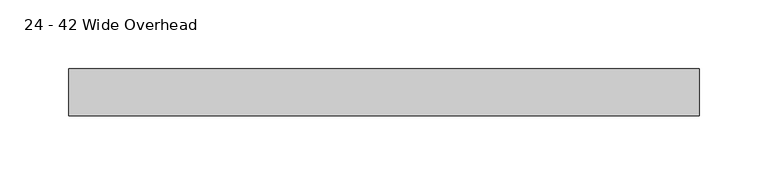
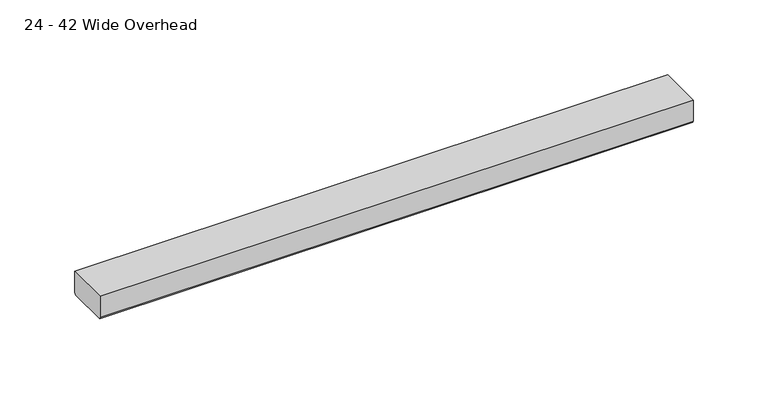
"""IFC4 building model written with IfcOpenShell, lengths in millimetres: furniture geometry, 24 - 42 Wide Overhead."""

import ifcopenshell
import ifcopenshell.guid

model = None  # the IFC model being written
_history = None  # IfcOwnerHistory: only IFC2X3 demands one
_inside = {}  # id of a spatial element -> (the spatial element, [elements in it])
_under = {}  # id of a project, library or spatial element -> (it, [spatial elements below it])
_declared = {}  # id of a project -> (the project, [libraries it declares])
_typed = {}  # id of a type object -> (the type object, [elements of that type])
_made_of = {}  # id of a material, layer set ... -> (it, [elements and type objects made of it])


def new_model(schema):
    """Start an empty IFC model of exactly this schema.

    Asked for "IFC4X3", IfcOpenShell would pick the latest addendum, in which some entities
    have other attributes; the version numbers below select the first issue.
    IFC2X3 requires an IfcOwnerHistory on every rooted entity: one is made here for all.
    """
    global model, _history
    if schema == "IFC4X3":
        model = ifcopenshell.file(schema_version=(4, 3, 0, 0))
    else:
        model = ifcopenshell.file(schema=schema)
    _inside.clear()
    _under.clear()
    _declared.clear()
    _typed.clear()
    _made_of.clear()
    _history = None
    if model.schema == "IFC2X3":
        org = make("IfcOrganization", Name="unknown")
        user = make(
            "IfcPersonAndOrganization",
            ThePerson=make("IfcPerson", FamilyName="unknown"),
            TheOrganization=org,
        )
        app = make(
            "IfcApplication",
            ApplicationDeveloper=org,
            Version="unknown",
            ApplicationFullName="unknown",
            ApplicationIdentifier="unknown",
        )
        _history = make(
            "IfcOwnerHistory",
            OwningUser=user,
            OwningApplication=app,
            ChangeAction="ADDED",
            CreationDate=0,
        )
    return model


def make(cls, **values):
    """One entity of the class cls with the attributes given. An attribute that is None is left unset."""
    return model.create_entity(
        cls, **{name: value for name, value in values.items() if value is not None}
    )


def rooted(cls, **values):
    """An entity with a GlobalId (a new one), such as an element, a storey or a relation."""
    return make(cls, GlobalId=ifcopenshell.guid.new(), OwnerHistory=_history, **values)


def si_unit(unit_type, name, prefix=None):
    """IfcSIUnit, for example si_unit("LENGTHUNIT", "METRE", prefix="MILLI")."""
    return make("IfcSIUnit", UnitType=unit_type, Prefix=prefix, Name=name)


def assignment(units):
    """IfcUnitAssignment: the units of a project."""
    return None if units is None else make("IfcUnitAssignment", Units=units)


def point(xyz):
    """IfcCartesianPoint."""
    return None if xyz is None else make("IfcCartesianPoint", Coordinates=xyz)


def direction(xyz):
    """IfcDirection."""
    return None if xyz is None else make("IfcDirection", DirectionRatios=xyz)


def frame(location, z_axis=None, x_axis=None):
    """IfcAxis2Placement3D, a coordinate frame: its origin and axes. An axis left out is left unset."""
    return make(
        "IfcAxis2Placement3D",
        Location=point(location),
        Axis=direction(z_axis),
        RefDirection=direction(x_axis),
    )


def origin():
    """The frame at (0, 0, 0) with its axes left unset."""
    return frame((0.0, 0.0, 0.0))


def place(relative_to, where):
    """IfcLocalPlacement: puts the frame where relative to a parent placement (None: the world)."""
    return make(
        "IfcLocalPlacement", PlacementRelTo=relative_to, RelativePlacement=where
    )


def context(
    kind, dimensions, precision=None, world=None, true_north=None, identifier=None
):
    """IfcGeometricRepresentationContext, for example the 3D "Model" context."""
    return make(
        "IfcGeometricRepresentationContext",
        ContextIdentifier=identifier,
        ContextType=kind,
        CoordinateSpaceDimension=dimensions,
        Precision=precision,
        WorldCoordinateSystem=world,
        TrueNorth=true_north,
    )


def project(units=None, contexts=None):
    """IfcProject with its units and contexts."""
    return rooted(
        "IfcProject",
        Name="project",
        RepresentationContexts=contexts,
        UnitsInContext=assignment(units),
    )


def spatial(cls, under=None, at=None, **own):
    """A site, building, storey or space (cls), placed at a placement, below another one or the project."""
    s = rooted(cls, ObjectPlacement=at, **own)
    if under is not None:
        _under.setdefault(under.id(), (under, []))[1].append(s)
    return s


def faces_of(points, faces, orient=None, outer=None):
    """IfcFace entities. A face is a list of loops; a loop is a list of indices into points, from 0.

    orient and outer hold one flag for each loop. By default every Orientation is true, the
    first loop of a face is its IfcFaceOuterBound and the others are IfcFaceBound.
    """
    made = []
    for i, loops in enumerate(faces):
        bounds = []
        for j, loop in enumerate(loops):
            is_outer = j == 0 if outer is None else outer[i][j]
            bounds.append(
                make(
                    "IfcFaceOuterBound" if is_outer else "IfcFaceBound",
                    Bound=make("IfcPolyLoop", Polygon=[points[k] for k in loop]),
                    Orientation=True if orient is None else orient[i][j],
                )
            )
        made.append(make("IfcFace", Bounds=bounds))
    return made


def faceted_brep(points, faces, orient=None, outer=None, voids=None):
    """IfcFacetedBrep: a solid bounded by flat faces; with voids (closed shells), ...WithVoids."""
    shared = [point(p) for p in points]
    hull = make("IfcClosedShell", CfsFaces=faces_of(shared, faces, orient, outer))
    if voids is None:
        return make("IfcFacetedBrep", Outer=hull)
    return make(
        "IfcFacetedBrepWithVoids",
        Outer=hull,
        Voids=[
            make(cls, CfsFaces=faces_of(shared, fs, o, b)) for cls, fs, o, b in voids
        ],
    )


def shape(context_of_items, identifier, shape_type, items):
    """IfcShapeRepresentation: the items that make up one representation, for example the "Body"."""
    return make(
        "IfcShapeRepresentation",
        ContextOfItems=context_of_items,
        RepresentationIdentifier=identifier,
        RepresentationType=shape_type,
        Items=items,
    )


def source(mapping_origin, context_of_items, identifier, shape_type, items):
    """IfcRepresentationMap: a shape defined once, which mapped items show again and again."""
    return make(
        "IfcRepresentationMap",
        MappingOrigin=mapping_origin,
        MappedRepresentation=shape(context_of_items, identifier, shape_type, items),
    )


def transform(
    local_origin,
    x_axis=None,
    y_axis=None,
    z_axis=None,
    scale=None,
    scale2=None,
    scale3=None,
    uniform=True,
):
    """IfcCartesianTransformationOperator3D, or its non-uniform kind. x_axis, y_axis, z_axis: its Axis1, 2, 3."""
    if uniform:
        return make(
            "IfcCartesianTransformationOperator3D",
            Axis1=direction(x_axis),
            Axis2=direction(y_axis),
            LocalOrigin=point(local_origin),
            Scale=scale,
            Axis3=direction(z_axis),
        )
    return make(
        "IfcCartesianTransformationOperator3DnonUniform",
        Axis1=direction(x_axis),
        Axis2=direction(y_axis),
        LocalOrigin=point(local_origin),
        Scale=scale,
        Axis3=direction(z_axis),
        Scale2=scale2,
        Scale3=scale3,
    )


def mapped(mapping_source, mapping_target):
    """IfcMappedItem: shows the shape of a source again, moved by a transform."""
    return make(
        "IfcMappedItem", MappingSource=mapping_source, MappingTarget=mapping_target
    )


def made_of(thing, what):
    """Note that an element or type object is made of a material, layer set ...; save() writes the relation."""
    if what is not None:
        _made_of.setdefault(what.id(), (what, []))[1].append(thing)
    return thing


def element(
    cls,
    number,
    at=None,
    inside=None,
    cuts=None,
    type_object=None,
    material=None,
    context=None,
    identifier="Body",
    shape_type=None,
    held_by="IfcProductDefinitionShape",
    body=None,
    shapes=None,
    **own,
):
    """One element of the class cls, such as IfcWall. Its Tag is "e" and its number.

    at: its placement. inside: the storey or other place that contains it. cuts: it is an
    opening in that element (IfcRelVoidsElement). A single representation is given by context,
    identifier, shape_type and body (its items); several are given by shapes. held_by: the class
    of the entity that holds the representations. save() writes the other relations.
    """
    e = rooted(cls, Tag="e%d" % number, ObjectPlacement=at, **own)
    if body is not None:
        shapes = [shape(context, identifier, shape_type, body)]
    if shapes is not None:
        e.Representation = make(held_by, Representations=shapes)
    if inside is not None:
        _inside.setdefault(inside.id(), (inside, []))[1].append(e)
    if cuts is not None:
        rooted(
            "IfcRelVoidsElement", RelatingBuildingElement=cuts, RelatedOpeningElement=e
        )
    if type_object is not None:
        _typed.setdefault(type_object.id(), (type_object, []))[1].append(e)
    return made_of(e, material)


def aggregate(whole, parts):
    """IfcRelAggregates: a whole, such as a stair, and the parts it consists of."""
    return rooted("IfcRelAggregates", RelatingObject=whole, RelatedObjects=parts)


def save(model, path):
    """Write the relations noted so far, then the file.

    IfcRelAggregates (storeys below a building ...), IfcRelContainedInSpatialStructure (elements
    in a storey), IfcRelDefinesByType, IfcRelAssociatesMaterial and IfcRelDeclares: one each for
    every whole, place, type object, material and project.
    """
    for whole, parts in _under.values():
        aggregate(whole, parts)
    for where, things in _inside.values():
        rooted(
            "IfcRelContainedInSpatialStructure",
            RelatedElements=things,
            RelatingStructure=where,
        )
    for kind, things in _typed.values():
        rooted("IfcRelDefinesByType", RelatedObjects=things, RelatingType=kind)
    for what, things in _made_of.values():
        rooted("IfcRelAssociatesMaterial", RelatedObjects=things, RelatingMaterial=what)
    for by, libraries in _declared.values():
        rooted("IfcRelDeclares", RelatingContext=by, RelatedDefinitions=libraries)
    model.write(path)


def furniture_24_42_wide_overhead_2ac7f7c6(model_context):
    return source(origin(), model_context, "Body", "Brep", [
        faceted_brep([(501.8909676, -211.8365428, 346.0749998), (501.8909676, -211.8365428, 328.9554067), (501.8909676, -211.3157759, 327.698164), (501.8909676, -210.0585412, 327.1774003), (501.8909676, -179.5785388, 327.1774003), (501.8909676, -178.3213041, 327.698164), (501.8909676, -177.800539, 328.9554023), (501.8909676, -177.800539, 346.0749998), (44.6909676, -211.8365428, 346.0749998), (44.6909676, -177.800539, 346.0749998), (44.6909676, -177.800539, 328.9554023), (44.6909676, -178.3213041, 327.698164), (44.6909676, -179.5785388, 327.1774003), (44.6909676, -210.0585412, 327.1774003), (44.6909676, -211.3157759, 327.698164), (44.6909676, -211.8365428, 328.9554067), (158.9909676, -201.8035433, 327.1774003), (387.5909676, -201.8035433, 327.1774003), (387.5909676, -187.8335385, 327.1774003), (158.9909676, -187.8335385, 327.1774003), (158.9909676, -201.8035433, 329.9531597), (158.9909676, -187.8335385, 329.9531597), (387.5909676, -187.8335385, 329.9531597), (387.5909676, -201.8035433, 329.9531597)], [[[0, 1, 2, 3, 4, 5, 6, 7]], [[8, 9, 10, 11, 12, 13, 14, 15]], [[1, 0, 8, 15]], [[2, 1, 15, 14]], [[3, 2, 14, 13]], [[4, 3, 13, 12], [16, 17, 18, 19]], [[5, 4, 12, 11]], [[6, 5, 11, 10]], [[7, 6, 10, 9]], [[0, 7, 9, 8]], [[20, 21, 22, 23]], [[20, 23, 17, 16]], [[23, 22, 18, 17]], [[22, 21, 19, 18]], [[21, 20, 16, 19]]]),
    ])


if __name__ == "__main__":
    model = new_model("IFC4")
    model_context = context("Model", 3, world=origin())
    ifc_project = project(units=[si_unit("LENGTHUNIT", "METRE", prefix="MILLI")], contexts=[model_context])
    site = spatial("IfcSite", under=ifc_project)
    building = spatial("IfcBuilding", under=site)
    placement = place(None, origin())
    furniture_24_42_wide_overhead_shape = furniture_24_42_wide_overhead_2ac7f7c6(model_context)
    element("IfcFurniture", 1, ObjectType="24 - 42 Wide Overhead", at=placement, inside=building, context=model_context, shape_type="MappedRepresentation", body=[
        mapped(furniture_24_42_wide_overhead_shape, transform((0.0, 0.0, 0.0), x_axis=(1.0, 0.0, 0.0), y_axis=(0.0, 1.0, 0.0), z_axis=(0.0, 0.0, 1.0))),
    ])
    save(model, "model.ifc")
